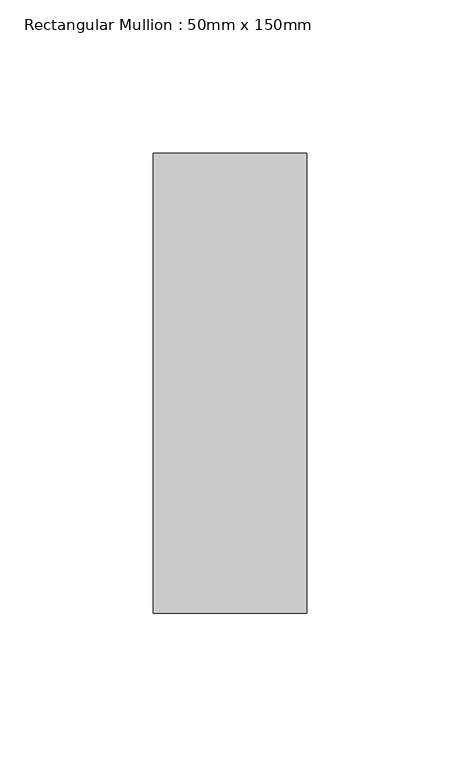
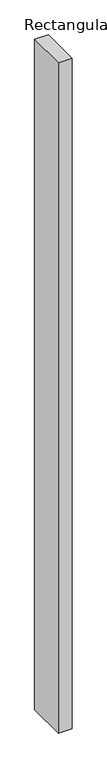
"""IFC4 building model written with IfcOpenShell, lengths in millimetres: member geometry, Rectangular Mullion : 50mm x 150mm."""

from ifc_helpers import new_model, si_unit, frame, origin, place, context, project, spatial, polyline, outline, extrude, source, transform, mapped, element, save


def rectangular_mullion_50mm_x_150mm_7bfbbdb4(model_context):
    return source(origin(), model_context, "Body", "SweptSolid", [
        extrude(outline(polyline([(0.0, 75.0), (0.0, -75.0), (-50.0, -75.0), (-50.0, 75.0), (0.0, 75.0)])), frame((0.0, 0.0, -2600.0), z_axis=(0.0, 0.0, 1.0), x_axis=(1.0, 0.0, 0.0)), (0.0, 0.0, 1.0), 2600.0),
    ])


if __name__ == "__main__":
    model = new_model("IFC4")
    model_context = context("Model", 3, world=origin())
    ifc_project = project(units=[si_unit("LENGTHUNIT", "METRE", prefix="MILLI")], contexts=[model_context])
    site = spatial("IfcSite", under=ifc_project)
    building = spatial("IfcBuilding", under=site)
    placement = place(None, origin())
    rectangular_mullion_50mm_x_150mm_shape = rectangular_mullion_50mm_x_150mm_7bfbbdb4(model_context)
    element("IfcMember", 1, ObjectType="Rectangular Mullion : 50mm x 150mm", at=placement, inside=building, context=model_context, shape_type="MappedRepresentation", body=[
        mapped(rectangular_mullion_50mm_x_150mm_shape, transform((0.0, 0.0, 0.0), x_axis=(1.0, 0.0, 0.0), y_axis=(0.0, 1.0, 0.0), z_axis=(0.0, 0.0, 1.0))),
    ])
    save(model, "model.ifc")
